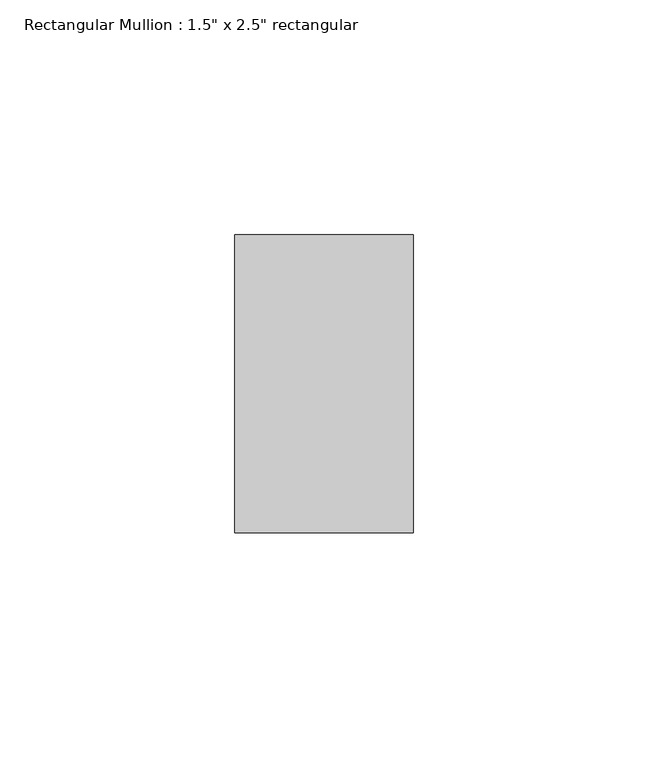
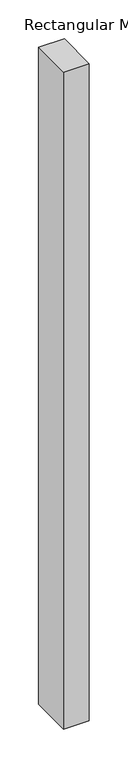
"""IFC4 building model written with IfcOpenShell, lengths in millimetres: member geometry."""

from ifc_helpers import new_model, si_unit, frame, origin, place, context, project, spatial, polyline, outline, extrude, source, transform, mapped, element, save


def member_58dff6c3(model_context):
    return source(origin(), model_context, "Body", "SweptSolid", [
        extrude(outline(polyline([(19.05, -19.05), (19.05, -82.55), (-19.05, -82.55), (-19.05, -19.05), (19.05, -19.05)])), frame((0.0, 0.0, -1028.7), z_axis=(0.0, 0.0, 1.0), x_axis=(1.0, 0.0, 0.0)), (0.0, 0.0, 1.0), 1028.7),
    ])


if __name__ == "__main__":
    model = new_model("IFC4")
    model_context = context("Model", 3, world=origin())
    ifc_project = project(units=[si_unit("LENGTHUNIT", "METRE", prefix="MILLI")], contexts=[model_context])
    site = spatial("IfcSite", under=ifc_project)
    building = spatial("IfcBuilding", under=site)
    placement = place(None, origin())
    member_shape = member_58dff6c3(model_context)
    element("IfcMember", 1, ObjectType="Rectangular Mullion : 1.5\" x 2.5\" rectangular", at=placement, inside=building, context=model_context, shape_type="MappedRepresentation", body=[
        mapped(member_shape, transform((0.0, 0.0, 0.0), x_axis=(1.0, 0.0, 0.0), y_axis=(0.0, 1.0, 0.0), z_axis=(0.0, 0.0, 1.0))),
    ])
    save(model, "model.ifc")
